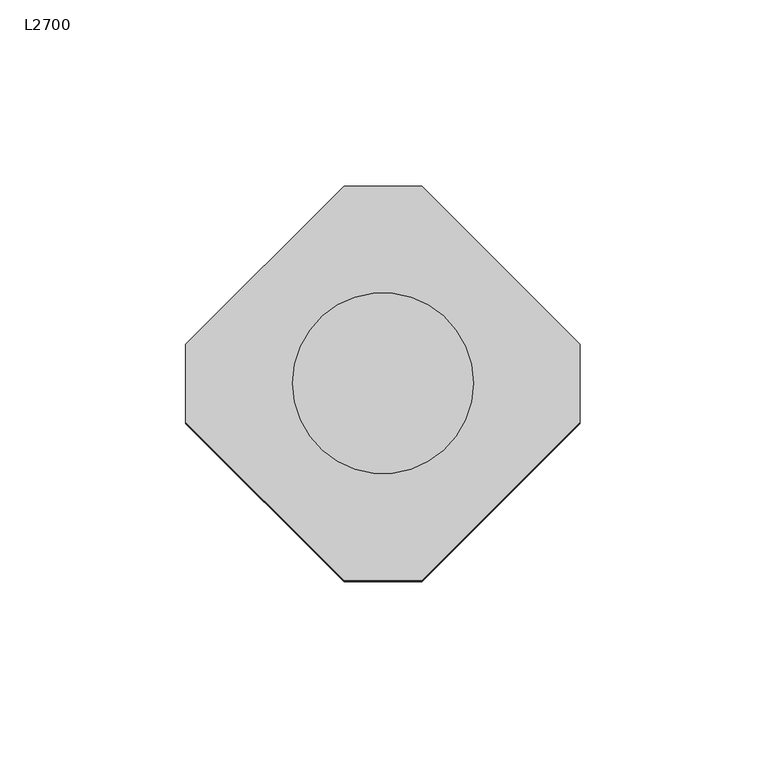
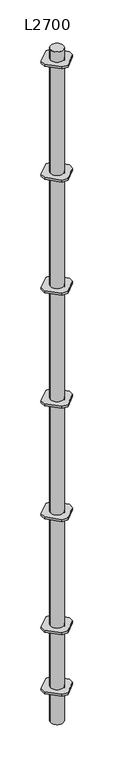
"""IFC4 building model written with IfcOpenShell, lengths in millimetres: proxy geometry, L2700."""

import ifcopenshell
import ifcopenshell.guid

model = None  # the IFC model being written
_history = None  # IfcOwnerHistory: only IFC2X3 demands one
_inside = {}  # id of a spatial element -> (the spatial element, [elements in it])
_under = {}  # id of a project, library or spatial element -> (it, [spatial elements below it])
_declared = {}  # id of a project -> (the project, [libraries it declares])
_typed = {}  # id of a type object -> (the type object, [elements of that type])
_made_of = {}  # id of a material, layer set ... -> (it, [elements and type objects made of it])


def new_model(schema):
    """Start an empty IFC model of exactly this schema.

    Asked for "IFC4X3", IfcOpenShell would pick the latest addendum, in which some entities
    have other attributes; the version numbers below select the first issue.
    IFC2X3 requires an IfcOwnerHistory on every rooted entity: one is made here for all.
    """
    global model, _history
    if schema == "IFC4X3":
        model = ifcopenshell.file(schema_version=(4, 3, 0, 0))
    else:
        model = ifcopenshell.file(schema=schema)
    _inside.clear()
    _under.clear()
    _declared.clear()
    _typed.clear()
    _made_of.clear()
    _history = None
    if model.schema == "IFC2X3":
        org = make("IfcOrganization", Name="unknown")
        user = make(
            "IfcPersonAndOrganization",
            ThePerson=make("IfcPerson", FamilyName="unknown"),
            TheOrganization=org,
        )
        app = make(
            "IfcApplication",
            ApplicationDeveloper=org,
            Version="unknown",
            ApplicationFullName="unknown",
            ApplicationIdentifier="unknown",
        )
        _history = make(
            "IfcOwnerHistory",
            OwningUser=user,
            OwningApplication=app,
            ChangeAction="ADDED",
            CreationDate=0,
        )
    return model


def make(cls, **values):
    """One entity of the class cls with the attributes given. An attribute that is None is left unset."""
    return model.create_entity(
        cls, **{name: value for name, value in values.items() if value is not None}
    )


def rooted(cls, **values):
    """An entity with a GlobalId (a new one), such as an element, a storey or a relation."""
    return make(cls, GlobalId=ifcopenshell.guid.new(), OwnerHistory=_history, **values)


def si_unit(unit_type, name, prefix=None):
    """IfcSIUnit, for example si_unit("LENGTHUNIT", "METRE", prefix="MILLI")."""
    return make("IfcSIUnit", UnitType=unit_type, Prefix=prefix, Name=name)


def assignment(units):
    """IfcUnitAssignment: the units of a project."""
    return None if units is None else make("IfcUnitAssignment", Units=units)


def point(xyz):
    """IfcCartesianPoint."""
    return None if xyz is None else make("IfcCartesianPoint", Coordinates=xyz)


def direction(xyz):
    """IfcDirection."""
    return None if xyz is None else make("IfcDirection", DirectionRatios=xyz)


def frame(location, z_axis=None, x_axis=None):
    """IfcAxis2Placement3D, a coordinate frame: its origin and axes. An axis left out is left unset."""
    return make(
        "IfcAxis2Placement3D",
        Location=point(location),
        Axis=direction(z_axis),
        RefDirection=direction(x_axis),
    )


def frame_2d(location, x_axis=None):
    """IfcAxis2Placement2D, a coordinate frame in the plane: its origin and x axis."""
    return make(
        "IfcAxis2Placement2D", Location=point(location), RefDirection=direction(x_axis)
    )


def origin():
    """The frame at (0, 0, 0) with its axes left unset."""
    return frame((0.0, 0.0, 0.0))


def origin_with_axes():
    """The frame at (0, 0, 0) with the z axis (0, 0, 1) and the x axis (1, 0, 0) written out."""
    return frame((0.0, 0.0, 0.0), z_axis=(0.0, 0.0, 1.0), x_axis=(1.0, 0.0, 0.0))


def origin_2d():
    """The frame at (0, 0) in the plane with its x axis left unset."""
    return frame_2d((0.0, 0.0))


def place(relative_to, where):
    """IfcLocalPlacement: puts the frame where relative to a parent placement (None: the world)."""
    return make(
        "IfcLocalPlacement", PlacementRelTo=relative_to, RelativePlacement=where
    )


def context(
    kind, dimensions, precision=None, world=None, true_north=None, identifier=None
):
    """IfcGeometricRepresentationContext, for example the 3D "Model" context."""
    return make(
        "IfcGeometricRepresentationContext",
        ContextIdentifier=identifier,
        ContextType=kind,
        CoordinateSpaceDimension=dimensions,
        Precision=precision,
        WorldCoordinateSystem=world,
        TrueNorth=true_north,
    )


def project(units=None, contexts=None):
    """IfcProject with its units and contexts."""
    return rooted(
        "IfcProject",
        Name="project",
        RepresentationContexts=contexts,
        UnitsInContext=assignment(units),
    )


def spatial(cls, under=None, at=None, **own):
    """A site, building, storey or space (cls), placed at a placement, below another one or the project."""
    s = rooted(cls, ObjectPlacement=at, **own)
    if under is not None:
        _under.setdefault(under.id(), (under, []))[1].append(s)
    return s


def polyline(points):
    """IfcPolyline through the points."""
    return make("IfcPolyline", Points=[point(p) for p in points])


def circle_curve(where, radius):
    """IfcCircle in the frame where."""
    return make("IfcCircle", Position=where, Radius=radius)


def trimmed(basis, trim1, trim2, sense, master):
    """IfcTrimmedCurve: the piece of a basis curve between two trims."""
    return make(
        "IfcTrimmedCurve",
        BasisCurve=basis,
        Trim1=trim1,
        Trim2=trim2,
        SenseAgreement=sense,
        MasterRepresentation=master,
    )


def segment(curve, same_sense, transition):
    """IfcCompositeCurveSegment."""
    return make(
        "IfcCompositeCurveSegment",
        Transition=transition,
        SameSense=same_sense,
        ParentCurve=curve,
    )


def composite_curve(segments, self_intersect=None):
    """IfcCompositeCurve: segments joined end to end."""
    return make("IfcCompositeCurve", Segments=segments, SelfIntersect=self_intersect)


def outline(outer, holes=None, kind="AREA"):
    """IfcArbitraryClosedProfileDef: a profile drawn as a closed curve; with holes, ...WithVoids."""
    if holes is None:
        return make("IfcArbitraryClosedProfileDef", ProfileType=kind, OuterCurve=outer)
    return make(
        "IfcArbitraryProfileDefWithVoids",
        ProfileType=kind,
        OuterCurve=outer,
        InnerCurves=holes,
    )


def extrude(swept, where, along, depth):
    """IfcExtrudedAreaSolid: the profile swept, set in the frame where, extruded along a direction by depth."""
    return make(
        "IfcExtrudedAreaSolid",
        SweptArea=swept,
        Position=where,
        ExtrudedDirection=direction(along),
        Depth=depth,
    )


def shape(context_of_items, identifier, shape_type, items):
    """IfcShapeRepresentation: the items that make up one representation, for example the "Body"."""
    return make(
        "IfcShapeRepresentation",
        ContextOfItems=context_of_items,
        RepresentationIdentifier=identifier,
        RepresentationType=shape_type,
        Items=items,
    )


def source(mapping_origin, context_of_items, identifier, shape_type, items):
    """IfcRepresentationMap: a shape defined once, which mapped items show again and again."""
    return make(
        "IfcRepresentationMap",
        MappingOrigin=mapping_origin,
        MappedRepresentation=shape(context_of_items, identifier, shape_type, items),
    )


def transform(
    local_origin,
    x_axis=None,
    y_axis=None,
    z_axis=None,
    scale=None,
    scale2=None,
    scale3=None,
    uniform=True,
):
    """IfcCartesianTransformationOperator3D, or its non-uniform kind. x_axis, y_axis, z_axis: its Axis1, 2, 3."""
    if uniform:
        return make(
            "IfcCartesianTransformationOperator3D",
            Axis1=direction(x_axis),
            Axis2=direction(y_axis),
            LocalOrigin=point(local_origin),
            Scale=scale,
            Axis3=direction(z_axis),
        )
    return make(
        "IfcCartesianTransformationOperator3DnonUniform",
        Axis1=direction(x_axis),
        Axis2=direction(y_axis),
        LocalOrigin=point(local_origin),
        Scale=scale,
        Axis3=direction(z_axis),
        Scale2=scale2,
        Scale3=scale3,
    )


def mapped(mapping_source, mapping_target):
    """IfcMappedItem: shows the shape of a source again, moved by a transform."""
    return make(
        "IfcMappedItem", MappingSource=mapping_source, MappingTarget=mapping_target
    )


def made_of(thing, what):
    """Note that an element or type object is made of a material, layer set ...; save() writes the relation."""
    if what is not None:
        _made_of.setdefault(what.id(), (what, []))[1].append(thing)
    return thing


def element(
    cls,
    number,
    at=None,
    inside=None,
    cuts=None,
    type_object=None,
    material=None,
    context=None,
    identifier="Body",
    shape_type=None,
    held_by="IfcProductDefinitionShape",
    body=None,
    shapes=None,
    **own,
):
    """One element of the class cls, such as IfcWall. Its Tag is "e" and its number.

    at: its placement. inside: the storey or other place that contains it. cuts: it is an
    opening in that element (IfcRelVoidsElement). A single representation is given by context,
    identifier, shape_type and body (its items); several are given by shapes. held_by: the class
    of the entity that holds the representations. save() writes the other relations.
    """
    e = rooted(cls, Tag="e%d" % number, ObjectPlacement=at, **own)
    if body is not None:
        shapes = [shape(context, identifier, shape_type, body)]
    if shapes is not None:
        e.Representation = make(held_by, Representations=shapes)
    if inside is not None:
        _inside.setdefault(inside.id(), (inside, []))[1].append(e)
    if cuts is not None:
        rooted(
            "IfcRelVoidsElement", RelatingBuildingElement=cuts, RelatedOpeningElement=e
        )
    if type_object is not None:
        _typed.setdefault(type_object.id(), (type_object, []))[1].append(e)
    return made_of(e, material)


def aggregate(whole, parts):
    """IfcRelAggregates: a whole, such as a stair, and the parts it consists of."""
    return rooted("IfcRelAggregates", RelatingObject=whole, RelatedObjects=parts)


def save(model, path):
    """Write the relations noted so far, then the file.

    IfcRelAggregates (storeys below a building ...), IfcRelContainedInSpatialStructure (elements
    in a storey), IfcRelDefinesByType, IfcRelAssociatesMaterial and IfcRelDeclares: one each for
    every whole, place, type object, material and project.
    """
    for whole, parts in _under.values():
        aggregate(whole, parts)
    for where, things in _inside.values():
        rooted(
            "IfcRelContainedInSpatialStructure",
            RelatedElements=things,
            RelatingStructure=where,
        )
    for kind, things in _typed.values():
        rooted("IfcRelDefinesByType", RelatedObjects=things, RelatingType=kind)
    for what, things in _made_of.values():
        rooted("IfcRelAssociatesMaterial", RelatedObjects=things, RelatingMaterial=what)
    for by, libraries in _declared.values():
        rooted("IfcRelDeclares", RelatingContext=by, RelatedDefinitions=libraries)
    model.write(path)


def l2700_520273b2(model_context):
    return source(origin(), model_context, "Body", "SweptSolid", [
        extrude(outline(polyline([(10.5, 53.0), (53.0, 10.5), (53.0, -10.5), (10.5, -53.0), (-10.5, -53.0), (-53.0, -10.5), (-53.0, 10.5), (-10.5, 53.0), (10.5, 53.0)]), holes=[composite_curve([segment(trimmed(circle_curve(origin_2d(), 24.3), [point((-24.3, 0.0))], [point((24.3, 0.0))], True, "CARTESIAN"), True, "CONTINUOUS"), segment(trimmed(circle_curve(origin_2d(), 24.3), [point((24.3, 0.0))], [point((-24.3, 0.0))], True, "CARTESIAN"), True, "CONTINUOUS")], self_intersect=False)]), frame((0.0, 0.0, 2626.0), z_axis=(0.0, 0.0, 1.0), x_axis=(1.0, 0.0, 0.0)), (0.0, 0.0, 1.0), 8.0),
        extrude(outline(polyline([(10.5, 53.0), (53.0, 10.5), (53.0, -10.5), (10.5, -53.0), (-10.5, -53.0), (-53.0, -10.5), (-53.0, 10.5), (-10.5, 53.0), (10.5, 53.0)]), holes=[composite_curve([segment(trimmed(circle_curve(origin_2d(), 24.3), [point((-24.3, 0.0))], [point((24.3, 0.0))], True, "CARTESIAN"), True, "CONTINUOUS"), segment(trimmed(circle_curve(origin_2d(), 24.3), [point((24.3, 0.0))], [point((-24.3, 0.0))], True, "CARTESIAN"), True, "CONTINUOUS")], self_intersect=False)]), frame((0.0, 0.0, 2176.0), z_axis=(0.0, 0.0, 1.0), x_axis=(1.0, 0.0, 0.0)), (0.0, 0.0, 1.0), 8.0),
        extrude(outline(polyline([(10.5, 53.0), (53.0, 10.5), (53.0, -10.5), (10.5, -53.0), (-10.5, -53.0), (-53.0, -10.5), (-53.0, 10.5), (-10.5, 53.0), (10.5, 53.0)]), holes=[composite_curve([segment(trimmed(circle_curve(origin_2d(), 24.3), [point((-24.3, 0.0))], [point((24.3, 0.0))], True, "CARTESIAN"), True, "CONTINUOUS"), segment(trimmed(circle_curve(origin_2d(), 24.3), [point((24.3, 0.0))], [point((-24.3, 0.0))], True, "CARTESIAN"), True, "CONTINUOUS")], self_intersect=False)]), frame((0.0, 0.0, 1726.0), z_axis=(0.0, 0.0, 1.0), x_axis=(1.0, 0.0, 0.0)), (0.0, 0.0, 1.0), 8.0),
        extrude(outline(polyline([(10.5, 53.0), (53.0, 10.5), (53.0, -10.5), (10.5, -53.0), (-10.5, -53.0), (-53.0, -10.5), (-53.0, 10.5), (-10.5, 53.0), (10.5, 53.0)]), holes=[composite_curve([segment(trimmed(circle_curve(origin_2d(), 24.3), [point((-24.3, 0.0))], [point((24.3, 0.0))], True, "CARTESIAN"), True, "CONTINUOUS"), segment(trimmed(circle_curve(origin_2d(), 24.3), [point((24.3, 0.0))], [point((-24.3, 0.0))], True, "CARTESIAN"), True, "CONTINUOUS")], self_intersect=False)]), frame((0.0, 0.0, 1276.0), z_axis=(0.0, 0.0, 1.0), x_axis=(1.0, 0.0, 0.0)), (0.0, 0.0, 1.0), 8.0),
        extrude(outline(polyline([(10.5, 53.0), (53.0, 10.5), (53.0, -10.5), (10.5, -53.0), (-10.5, -53.0), (-53.0, -10.5), (-53.0, 10.5), (-10.5, 53.0), (10.5, 53.0)]), holes=[composite_curve([segment(trimmed(circle_curve(origin_2d(), 24.3), [point((-24.3, 0.0))], [point((24.3, 0.0))], True, "CARTESIAN"), True, "CONTINUOUS"), segment(trimmed(circle_curve(origin_2d(), 24.3), [point((24.3, 0.0))], [point((-24.3, 0.0))], True, "CARTESIAN"), True, "CONTINUOUS")], self_intersect=False)]), frame((0.0, 0.0, 826.0), z_axis=(0.0, 0.0, 1.0), x_axis=(1.0, 0.0, 0.0)), (0.0, 0.0, 1.0), 8.0),
        extrude(outline(polyline([(10.5, 53.0), (53.0, 10.5), (53.0, -10.5), (10.5, -53.0), (-10.5, -53.0), (-53.0, -10.5), (-53.0, 10.5), (-10.5, 53.0), (10.5, 53.0)]), holes=[composite_curve([segment(trimmed(circle_curve(origin_2d(), 24.3), [point((-24.3, 0.0))], [point((24.3, 0.0))], True, "CARTESIAN"), True, "CONTINUOUS"), segment(trimmed(circle_curve(origin_2d(), 24.3), [point((24.3, 0.0))], [point((-24.3, 0.0))], True, "CARTESIAN"), True, "CONTINUOUS")], self_intersect=False)]), frame((0.0, 0.0, 131.0), z_axis=(0.0, 0.0, 1.0), x_axis=(1.0, 0.0, 0.0)), (0.0, 0.0, 1.0), 8.0),
        extrude(outline(polyline([(10.5, 53.0), (53.0, 10.5), (53.0, -10.5), (10.5, -53.0), (-10.5, -53.0), (-53.0, -10.5), (-53.0, 10.5), (-10.5, 53.0), (10.5, 53.0)]), holes=[composite_curve([segment(trimmed(circle_curve(origin_2d(), 24.3), [point((-24.3, 0.0))], [point((24.3, 0.0))], True, "CARTESIAN"), True, "CONTINUOUS"), segment(trimmed(circle_curve(origin_2d(), 24.3), [point((24.3, 0.0))], [point((-24.3, 0.0))], True, "CARTESIAN"), True, "CONTINUOUS")], self_intersect=False)]), frame((0.0, 0.0, 376.0), z_axis=(0.0, 0.0, 1.0), x_axis=(1.0, 0.0, 0.0)), (0.0, 0.0, 1.0), 8.0),
        extrude(outline(composite_curve([segment(trimmed(circle_curve(origin_2d(), 24.3), [point((-24.3, 0.0))], [point((24.3, 0.0))], False, "CARTESIAN"), True, "CONTINUOUS"), segment(trimmed(circle_curve(origin_2d(), 24.3), [point((24.3, 0.0))], [point((-24.3, 0.0))], False, "CARTESIAN"), True, "CONTINUOUS")], self_intersect=False)), origin_with_axes(), (0.0, 0.0, 1.0), 2675.0),
    ])


if __name__ == "__main__":
    model = new_model("IFC4")
    model_context = context("Model", 3, world=origin())
    ifc_project = project(units=[si_unit("LENGTHUNIT", "METRE", prefix="MILLI")], contexts=[model_context])
    site = spatial("IfcSite", under=ifc_project)
    building = spatial("IfcBuilding", under=site)
    placement = place(None, origin())
    l2700_shape = l2700_520273b2(model_context)
    element("IfcBuildingElementProxy", 1, Name="L2700", ObjectType="L2700", at=placement, inside=building, context=model_context, shape_type="MappedRepresentation", body=[
        mapped(l2700_shape, transform((0.0, 0.0, 0.0), x_axis=(1.0, 0.0, 0.0), y_axis=(0.0, 1.0, 0.0), z_axis=(0.0, 0.0, 1.0))),
    ])
    save(model, "model.ifc")
